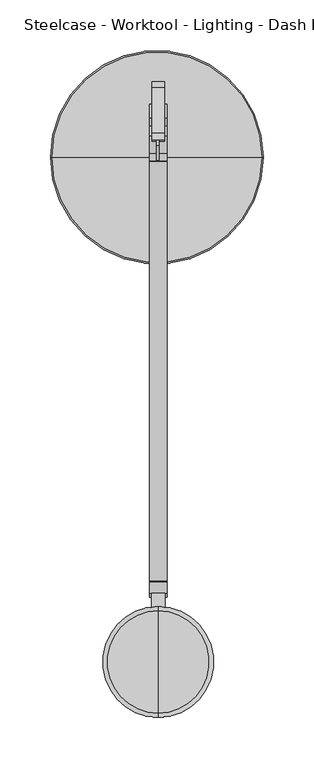
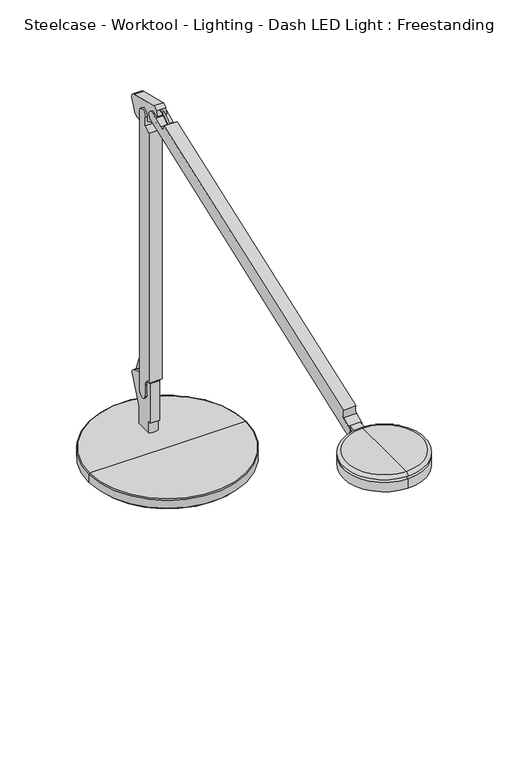
"""IFC4 building model written with IfcOpenShell, lengths in millimetres: furniture geometry, Steelcase - Worktool - Lighting - Dash LED Light : Freestanding."""

import ifcopenshell
import ifcopenshell.guid

model = None  # the IFC model being written
_history = None  # IfcOwnerHistory: only IFC2X3 demands one
_inside = {}  # id of a spatial element -> (the spatial element, [elements in it])
_under = {}  # id of a project, library or spatial element -> (it, [spatial elements below it])
_declared = {}  # id of a project -> (the project, [libraries it declares])
_typed = {}  # id of a type object -> (the type object, [elements of that type])
_made_of = {}  # id of a material, layer set ... -> (it, [elements and type objects made of it])


def new_model(schema):
    """Start an empty IFC model of exactly this schema.

    Asked for "IFC4X3", IfcOpenShell would pick the latest addendum, in which some entities
    have other attributes; the version numbers below select the first issue.
    IFC2X3 requires an IfcOwnerHistory on every rooted entity: one is made here for all.
    """
    global model, _history
    if schema == "IFC4X3":
        model = ifcopenshell.file(schema_version=(4, 3, 0, 0))
    else:
        model = ifcopenshell.file(schema=schema)
    _inside.clear()
    _under.clear()
    _declared.clear()
    _typed.clear()
    _made_of.clear()
    _history = None
    if model.schema == "IFC2X3":
        org = make("IfcOrganization", Name="unknown")
        user = make(
            "IfcPersonAndOrganization",
            ThePerson=make("IfcPerson", FamilyName="unknown"),
            TheOrganization=org,
        )
        app = make(
            "IfcApplication",
            ApplicationDeveloper=org,
            Version="unknown",
            ApplicationFullName="unknown",
            ApplicationIdentifier="unknown",
        )
        _history = make(
            "IfcOwnerHistory",
            OwningUser=user,
            OwningApplication=app,
            ChangeAction="ADDED",
            CreationDate=0,
        )
    return model


def make(cls, **values):
    """One entity of the class cls with the attributes given. An attribute that is None is left unset."""
    return model.create_entity(
        cls, **{name: value for name, value in values.items() if value is not None}
    )


def rooted(cls, **values):
    """An entity with a GlobalId (a new one), such as an element, a storey or a relation."""
    return make(cls, GlobalId=ifcopenshell.guid.new(), OwnerHistory=_history, **values)


def si_unit(unit_type, name, prefix=None):
    """IfcSIUnit, for example si_unit("LENGTHUNIT", "METRE", prefix="MILLI")."""
    return make("IfcSIUnit", UnitType=unit_type, Prefix=prefix, Name=name)


def assignment(units):
    """IfcUnitAssignment: the units of a project."""
    return None if units is None else make("IfcUnitAssignment", Units=units)


def point(xyz):
    """IfcCartesianPoint."""
    return None if xyz is None else make("IfcCartesianPoint", Coordinates=xyz)


def direction(xyz):
    """IfcDirection."""
    return None if xyz is None else make("IfcDirection", DirectionRatios=xyz)


def frame(location, z_axis=None, x_axis=None):
    """IfcAxis2Placement3D, a coordinate frame: its origin and axes. An axis left out is left unset."""
    return make(
        "IfcAxis2Placement3D",
        Location=point(location),
        Axis=direction(z_axis),
        RefDirection=direction(x_axis),
    )


def frame_2d(location, x_axis=None):
    """IfcAxis2Placement2D, a coordinate frame in the plane: its origin and x axis."""
    return make(
        "IfcAxis2Placement2D", Location=point(location), RefDirection=direction(x_axis)
    )


def origin():
    """The frame at (0, 0, 0) with its axes left unset."""
    return frame((0.0, 0.0, 0.0))


def place(relative_to, where):
    """IfcLocalPlacement: puts the frame where relative to a parent placement (None: the world)."""
    return make(
        "IfcLocalPlacement", PlacementRelTo=relative_to, RelativePlacement=where
    )


def context(
    kind, dimensions, precision=None, world=None, true_north=None, identifier=None
):
    """IfcGeometricRepresentationContext, for example the 3D "Model" context."""
    return make(
        "IfcGeometricRepresentationContext",
        ContextIdentifier=identifier,
        ContextType=kind,
        CoordinateSpaceDimension=dimensions,
        Precision=precision,
        WorldCoordinateSystem=world,
        TrueNorth=true_north,
    )


def project(units=None, contexts=None):
    """IfcProject with its units and contexts."""
    return rooted(
        "IfcProject",
        Name="project",
        RepresentationContexts=contexts,
        UnitsInContext=assignment(units),
    )


def spatial(cls, under=None, at=None, **own):
    """A site, building, storey or space (cls), placed at a placement, below another one or the project."""
    s = rooted(cls, ObjectPlacement=at, **own)
    if under is not None:
        _under.setdefault(under.id(), (under, []))[1].append(s)
    return s


def polyline(points):
    """IfcPolyline through the points."""
    return make("IfcPolyline", Points=[point(p) for p in points])


def circle_curve(where, radius):
    """IfcCircle in the frame where."""
    return make("IfcCircle", Position=where, Radius=radius)


def ellipse_curve(where, semi_axis1, semi_axis2):
    """IfcEllipse in the frame where."""
    return make(
        "IfcEllipse", Position=where, SemiAxis1=semi_axis1, SemiAxis2=semi_axis2
    )


def trimmed(basis, trim1, trim2, sense, master):
    """IfcTrimmedCurve: the piece of a basis curve between two trims."""
    return make(
        "IfcTrimmedCurve",
        BasisCurve=basis,
        Trim1=trim1,
        Trim2=trim2,
        SenseAgreement=sense,
        MasterRepresentation=master,
    )


def segment(curve, same_sense, transition):
    """IfcCompositeCurveSegment."""
    return make(
        "IfcCompositeCurveSegment",
        Transition=transition,
        SameSense=same_sense,
        ParentCurve=curve,
    )


def composite_curve(segments, self_intersect=None):
    """IfcCompositeCurve: segments joined end to end."""
    return make("IfcCompositeCurve", Segments=segments, SelfIntersect=self_intersect)


def outline(outer, holes=None, kind="AREA"):
    """IfcArbitraryClosedProfileDef: a profile drawn as a closed curve; with holes, ...WithVoids."""
    if holes is None:
        return make("IfcArbitraryClosedProfileDef", ProfileType=kind, OuterCurve=outer)
    return make(
        "IfcArbitraryProfileDefWithVoids",
        ProfileType=kind,
        OuterCurve=outer,
        InnerCurves=holes,
    )


def extrude(swept, where, along, depth):
    """IfcExtrudedAreaSolid: the profile swept, set in the frame where, extruded along a direction by depth."""
    return make(
        "IfcExtrudedAreaSolid",
        SweptArea=swept,
        Position=where,
        ExtrudedDirection=direction(along),
        Depth=depth,
    )


def shape(context_of_items, identifier, shape_type, items):
    """IfcShapeRepresentation: the items that make up one representation, for example the "Body"."""
    return make(
        "IfcShapeRepresentation",
        ContextOfItems=context_of_items,
        RepresentationIdentifier=identifier,
        RepresentationType=shape_type,
        Items=items,
    )


def source(mapping_origin, context_of_items, identifier, shape_type, items):
    """IfcRepresentationMap: a shape defined once, which mapped items show again and again."""
    return make(
        "IfcRepresentationMap",
        MappingOrigin=mapping_origin,
        MappedRepresentation=shape(context_of_items, identifier, shape_type, items),
    )


def transform(
    local_origin,
    x_axis=None,
    y_axis=None,
    z_axis=None,
    scale=None,
    scale2=None,
    scale3=None,
    uniform=True,
):
    """IfcCartesianTransformationOperator3D, or its non-uniform kind. x_axis, y_axis, z_axis: its Axis1, 2, 3."""
    if uniform:
        return make(
            "IfcCartesianTransformationOperator3D",
            Axis1=direction(x_axis),
            Axis2=direction(y_axis),
            LocalOrigin=point(local_origin),
            Scale=scale,
            Axis3=direction(z_axis),
        )
    return make(
        "IfcCartesianTransformationOperator3DnonUniform",
        Axis1=direction(x_axis),
        Axis2=direction(y_axis),
        LocalOrigin=point(local_origin),
        Scale=scale,
        Axis3=direction(z_axis),
        Scale2=scale2,
        Scale3=scale3,
    )


def mapped(mapping_source, mapping_target):
    """IfcMappedItem: shows the shape of a source again, moved by a transform."""
    return make(
        "IfcMappedItem", MappingSource=mapping_source, MappingTarget=mapping_target
    )


def made_of(thing, what):
    """Note that an element or type object is made of a material, layer set ...; save() writes the relation."""
    if what is not None:
        _made_of.setdefault(what.id(), (what, []))[1].append(thing)
    return thing


def element(
    cls,
    number,
    at=None,
    inside=None,
    cuts=None,
    type_object=None,
    material=None,
    context=None,
    identifier="Body",
    shape_type=None,
    held_by="IfcProductDefinitionShape",
    body=None,
    shapes=None,
    **own,
):
    """One element of the class cls, such as IfcWall. Its Tag is "e" and its number.

    at: its placement. inside: the storey or other place that contains it. cuts: it is an
    opening in that element (IfcRelVoidsElement). A single representation is given by context,
    identifier, shape_type and body (its items); several are given by shapes. held_by: the class
    of the entity that holds the representations. save() writes the other relations.
    """
    e = rooted(cls, Tag="e%d" % number, ObjectPlacement=at, **own)
    if body is not None:
        shapes = [shape(context, identifier, shape_type, body)]
    if shapes is not None:
        e.Representation = make(held_by, Representations=shapes)
    if inside is not None:
        _inside.setdefault(inside.id(), (inside, []))[1].append(e)
    if cuts is not None:
        rooted(
            "IfcRelVoidsElement", RelatingBuildingElement=cuts, RelatedOpeningElement=e
        )
    if type_object is not None:
        _typed.setdefault(type_object.id(), (type_object, []))[1].append(e)
    return made_of(e, material)


def aggregate(whole, parts):
    """IfcRelAggregates: a whole, such as a stair, and the parts it consists of."""
    return rooted("IfcRelAggregates", RelatingObject=whole, RelatedObjects=parts)


def save(model, path):
    """Write the relations noted so far, then the file.

    IfcRelAggregates (storeys below a building ...), IfcRelContainedInSpatialStructure (elements
    in a storey), IfcRelDefinesByType, IfcRelAssociatesMaterial and IfcRelDeclares: one each for
    every whole, place, type object, material and project.
    """
    for whole, parts in _under.values():
        aggregate(whole, parts)
    for where, things in _inside.values():
        rooted(
            "IfcRelContainedInSpatialStructure",
            RelatedElements=things,
            RelatingStructure=where,
        )
    for kind, things in _typed.values():
        rooted("IfcRelDefinesByType", RelatedObjects=things, RelatingType=kind)
    for what, things in _made_of.values():
        rooted("IfcRelAssociatesMaterial", RelatedObjects=things, RelatingMaterial=what)
    for by, libraries in _declared.values():
        rooted("IfcRelDeclares", RelatingContext=by, RelatedDefinitions=libraries)
    model.write(path)


def plane_surface(at):
    """IfcPlane: the flat surface through the origin of the frame at, square to its z axis."""
    return make("IfcPlane", Position=at)


def cylinder_surface(at, radius):
    """IfcCylindricalSurface: all points at the distance radius from the z axis of the frame at."""
    return make("IfcCylindricalSurface", Position=at, Radius=radius)


def revolved_surface(curve, axis_point, axis_direction):
    """IfcSurfaceOfRevolution: the curve turned about the line through axis_point along axis_direction."""
    return make(
        "IfcSurfaceOfRevolution",
        SweptCurve=make("IfcArbitraryOpenProfileDef", ProfileType="CURVE", Curve=curve),
        AxisPosition=make("IfcAxis1Placement", Location=point(axis_point), Axis=direction(axis_direction)),
    )


def advanced_brep(points, edges, surfaces, faces):
    """IfcAdvancedBrep: a solid bounded by faces that lie on surfaces and meet in shared edges.

    An edge is (start, end): straight between two places in points (the first is 0);
    or (start, end, curve); or (start, end, curve, False) where it runs against its curve.
    A face is (place in surfaces, loops), or (place, loops, False) where it looks against
    its surface's normal. A loop lists edges by number (the first is 1), with a minus sign
    where the edge is run from its end to its start. The first loop is the outer one.
    """
    corners = [point(p) for p in points]
    vertices = [make("IfcVertexPoint", VertexGeometry=c) for c in corners]
    made = []
    for start, end, *more in edges:
        made.append(
            make(
                "IfcEdgeCurve",
                EdgeStart=vertices[start],
                EdgeEnd=vertices[end],
                EdgeGeometry=more[0] if more else make("IfcPolyline", Points=[corners[start], corners[end]]),
                SameSense=more[1] if len(more) > 1 else True,
            )
        )
    hull = []
    for where, loops, *sense in faces:
        bounds = []
        for j, loop in enumerate(loops):
            ring = [make("IfcOrientedEdge", EdgeElement=made[abs(k) - 1], Orientation=k > 0) for k in loop]
            bounds.append(
                make(
                    "IfcFaceOuterBound" if j == 0 else "IfcFaceBound",
                    Bound=make("IfcEdgeLoop", EdgeList=ring),
                    Orientation=True,
                )
            )
        hull.append(make("IfcAdvancedFace", Bounds=bounds, FaceSurface=surfaces[where], SameSense=sense[0] if sense else True))
    return make("IfcAdvancedBrep", Outer=make("IfcClosedShell", CfsFaces=hull))


def steelcase_worktool_lighting_dash_led_light_freestanding_fd4244e6(model_context):
    return source(origin(), model_context, "Body", "SolidModel", [
        advanced_brep(
        [(-1.3138173, -113.7487958, 886.9665244), (102.5340827, -113.7487958, 886.9665244), (-105.1617173, -113.7487958, 886.9665244), (-94.3930875, -113.7487958, 868.0005821), (91.7654529, -113.7487958, 868.0005821), (-1.3138173, -113.7487958, 868.0005821), (-94.3930875, -113.7487958, 868.9041479), (91.7654529, -113.7487958, 868.9041479), (-97.207805, -113.7487958, 868.9041479), (94.5801703, -113.7487958, 868.9041479), (-103.7438291, -113.7487958, 871.8141733), (101.1161944, -113.7487958, 871.8141733), (-103.7438291, -113.7487958, 874.6475244), (101.1161944, -113.7487958, 874.6475244), (-106.6446817, -113.7487958, 874.6475244), (104.017047, -113.7487958, 874.6475244), (-106.6446817, -113.7487958, 885.4835601), (104.017047, -113.7487958, 885.4835601)],
        [
            (0, 1),
            (1, 2, circle_curve(frame((-1.3138173, -113.7487958, 886.9665244), z_axis=(0.0, 0.0, 1.0), x_axis=(1.0, 0.0, 0.0)), 103.8479)),
            (2, 0),
            (2, 1, circle_curve(frame((-1.3138173, -113.7487958, 886.9665244), z_axis=(0.0, 0.0, 1.0), x_axis=(1.0, 0.0, 0.0)), 103.8479)),
            (3, 4, circle_curve(frame((-1.3138173, -113.7487958, 868.0005821), z_axis=(0.0, 0.0, -1.0), x_axis=(1.0, 0.0, 0.0)), 93.0792702)),
            (4, 5),
            (5, 3),
            (4, 3, circle_curve(frame((-1.3138173, -113.7487958, 868.0005821), z_axis=(0.0, 0.0, -1.0), x_axis=(1.0, 0.0, 0.0)), 93.0792702)),
            (6, 7, circle_curve(frame((-1.3138173, -113.7487958, 868.9041479), z_axis=(0.0, 0.0, -1.0), x_axis=(1.0, 0.0, 0.0)), 93.0792702)),
            (7, 4),
            (3, 6),
            (7, 6, circle_curve(frame((-1.3138173, -113.7487958, 868.9041479), z_axis=(0.0, 0.0, -1.0), x_axis=(1.0, 0.0, 0.0)), 93.0792702)),
            (8, 9, circle_curve(frame((-1.3138173, -113.7487958, 868.9041479), z_axis=(0.0, 0.0, -1.0), x_axis=(1.0, 0.0, 0.0)), 95.8939876)),
            (9, 7),
            (6, 8),
            (9, 8, circle_curve(frame((-1.3138173, -113.7487958, 868.9041479), z_axis=(0.0, 0.0, -1.0), x_axis=(1.0, 0.0, 0.0)), 95.8939876)),
            (10, 11, circle_curve(frame((-1.3138173, -113.7487958, 871.8141733), z_axis=(0.0, 0.0, -1.0), x_axis=(1.0, 0.0, 0.0)), 102.4300117)),
            (11, 9),
            (8, 10),
            (11, 10, circle_curve(frame((-1.3138173, -113.7487958, 871.8141733), z_axis=(0.0, 0.0, -1.0), x_axis=(1.0, 0.0, 0.0)), 102.4300117)),
            (12, 13, circle_curve(frame((-1.3138173, -113.7487958, 874.6475244), z_axis=(0.0, 0.0, -1.0), x_axis=(1.0, 0.0, 0.0)), 102.4300117)),
            (13, 11),
            (10, 12),
            (13, 12, circle_curve(frame((-1.3138173, -113.7487958, 874.6475244), z_axis=(0.0, 0.0, -1.0), x_axis=(1.0, 0.0, 0.0)), 102.4300117)),
            (14, 15, circle_curve(frame((-1.3138173, -113.7487958, 874.6475244), z_axis=(0.0, 0.0, -1.0), x_axis=(1.0, 0.0, 0.0)), 105.3308643)),
            (15, 13),
            (12, 14),
            (15, 14, circle_curve(frame((-1.3138173, -113.7487958, 874.6475244), z_axis=(0.0, 0.0, -1.0), x_axis=(1.0, 0.0, 0.0)), 105.3308643)),
            (16, 17, circle_curve(frame((-1.3138173, -113.7487958, 885.4835601), z_axis=(0.0, 0.0, -1.0), x_axis=(1.0, 0.0, 0.0)), 105.3308643)),
            (17, 15),
            (14, 16),
            (17, 16, circle_curve(frame((-1.3138173, -113.7487958, 885.4835601), z_axis=(0.0, 0.0, -1.0), x_axis=(1.0, 0.0, 0.0)), 105.3308643)),
            (1, 17, circle_curve(frame((102.5340827, -113.7487958, 885.4835601), z_axis=(0.0, 1.0, 0.0), x_axis=(1.0, 0.0, 0.0)), 1.4829643)),
            (16, 2, circle_curve(frame((-105.1617173, -113.7487958, 885.4835601), z_axis=(0.0, 1.0, 0.0), x_axis=(-1.0, 0.0, 0.0)), 1.4829643)),
        ],
        [
            plane_surface(frame((-1.3138173, -113.7487958, 886.9665244), z_axis=(0.0, 0.0, 1.0), x_axis=(1.0, 0.0, 0.0))),
            plane_surface(frame((-1.3138173, -113.7487958, 868.0005821), z_axis=(0.0, 0.0, -1.0), x_axis=(1.0, 0.0, 0.0))),
            cylinder_surface(frame((-1.3138173, -113.7487958, 893.3165244), z_axis=(0.0, 0.0, 1.0), x_axis=(1.0, 0.0, 0.0)), 93.0792702),
            plane_surface(frame((-1.3138173, -113.7487958, 868.9041479), z_axis=(0.0, 0.0, -1.0), x_axis=(1.0, 0.0, 0.0))),
            revolved_surface(polyline([(94.5801703, -113.7487958, 868.9041479), (101.1161944, -113.7487958, 871.8141733)]), (-1.3138173, -113.7487958, 893.3165244), (0.0, 0.0, 1.0)),
            cylinder_surface(frame((-1.3138173, -113.7487958, 893.3165244), z_axis=(0.0, 0.0, 1.0), x_axis=(1.0, 0.0, 0.0)), 102.4300117),
            plane_surface(frame((-1.3138173, -113.7487958, 874.6475244), z_axis=(0.0, 0.0, -1.0), x_axis=(1.0, 0.0, 0.0))),
            cylinder_surface(frame((-1.3138173, -113.7487958, 893.3165244), z_axis=(0.0, 0.0, 1.0), x_axis=(1.0, 0.0, 0.0)), 105.3308643),
            revolved_surface(trimmed(ellipse_curve(frame((102.5340827, -113.7487958, 885.4835601), z_axis=(0.0, -1.0, 0.0), x_axis=(1.0, 0.0, 0.0)), 1.4829643, 1.4829643), [point((104.017047, -113.7487958, 885.4835601))], [point((102.5340827, -113.7487958, 886.9665244))], True, "CARTESIAN"), (-1.3138173, -113.7487958, 893.3165244), (0.0, 0.0, 1.0)),
        ],
        [
            (0, [[1, 2, 3]]),
            (0, [[-3, 4, -1]]),
            (1, [[5, 6, 7]]),
            (1, [[8, -7, -6]]),
            (2, [[9, 10, -5, 11]]),
            (2, [[12, -11, -8, -10]]),
            (3, [[13, 14, -9, 15]]),
            (3, [[16, -15, -12, -14]]),
            (4, [[17, 18, -13, 19]]),
            (4, [[20, -19, -16, -18]]),
            (5, [[21, 22, -17, 23]]),
            (5, [[24, -23, -20, -22]]),
            (6, [[25, 26, -21, 27]]),
            (6, [[28, -27, -24, -26]]),
            (7, [[29, 30, -25, 31]]),
            (7, [[32, -31, -28, -30]]),
            (8, [[-2, 33, -29, 34]]),
            (8, [[-4, -34, -32, -33]]),
        ],
    ),
        advanced_brep(
        [(-2.7205732, -60.6970314, 1280.5232085), (1.9785586, -60.6970314, 1280.5232085), (1.9175158, -71.5963661, 1280.5232085), (5.0673235, -71.5963661, 1280.5232085), (5.0673235, -60.0819526, 1280.5232085), (-5.7601194, -60.0819526, 1280.5232085), (-5.8093381, -71.5963661, 1280.5232085), (-2.6601118, -71.5963661, 1280.5232085), (-2.7205732, -60.6970314, 990.8676868), (-2.6601118, -71.5963661, 990.8676868), (-5.8093381, -71.5963661, 990.8676868), (-5.8093381, -60.0724751, 990.8676868), (5.0673235, -60.0819526, 990.8676868), (5.0673235, -71.5963661, 990.8676868), (1.9175158, -71.5963661, 990.8676868), (1.9785586, -60.6970314, 990.8676868)],
        [
            (0, 1, circle_curve(frame((-0.3710073, -60.6970314, 1280.5232085), z_axis=(0.0, 0.0, -1.0), x_axis=(1.0, 0.0, 0.0)), 2.3495659)),
            (1, 2),
            (2, 3),
            (3, 4),
            (4, 5, circle_curve(frame((-0.3463979, -60.0819526, 1280.5232085), z_axis=(0.0, 0.0, 1.0), x_axis=(1.0, 0.0, 0.0)), 5.4137215)),
            (5, 6),
            (6, 7),
            (7, 0),
            (8, 9),
            (9, 10),
            (10, 11),
            (11, 12, circle_curve(frame((-0.3463979, -60.0819526, 990.8676868), z_axis=(0.0, 0.0, -1.0), x_axis=(1.0, 0.0, 0.0)), 5.4137215)),
            (12, 13),
            (13, 14),
            (14, 15),
            (15, 8, circle_curve(frame((-0.3710073, -60.6970314, 990.8676868), z_axis=(0.0, 0.0, 1.0), x_axis=(1.0, 0.0, 0.0)), 2.3495659)),
            (0, 8),
            (15, 1),
            (14, 2),
            (13, 3),
            (12, 4),
            (11, 5),
            (10, 6),
            (9, 7),
        ],
        [
            plane_surface(frame((1.9785586, -60.6970314, 1280.5232085), z_axis=(0.0, 0.0, 1.0), x_axis=(0.0, -1.0, 0.0))),
            plane_surface(frame((1.9785586, -60.6970314, 990.8676868), z_axis=(0.0, 0.0, -1.0), x_axis=(0.0, 1.0, 0.0))),
            revolved_surface(polyline([(1.9785586, -60.6970314, 990.8676868), (1.9785586, -60.6970314, 1280.5232085)]), (-0.3710073, -60.6970314, 990.8676868), (0.0, 0.0, -1.0)),
            plane_surface(frame((1.9785586, -60.6970314, 1280.5232085), z_axis=(-0.9999843170233393, 0.005600509563017414, 0.0), x_axis=(0.0, 0.0, -1.0))),
            plane_surface(frame((1.9175158, -71.5963661, 1280.5232085), z_axis=(0.0, -1.0, 0.0), x_axis=(0.0, 0.0, -1.0))),
            plane_surface(frame((5.0673235, -71.5963661, 1280.5232085), z_axis=(1.0, 0.0, 0.0), x_axis=(0.0, 0.0, -1.0))),
            cylinder_surface(frame((-0.3463979, -60.0819526, 990.8676868), z_axis=(0.0, 0.0, 1.0), x_axis=(1.0, 0.0, 0.0)), 5.4137215),
            plane_surface(frame((-5.8093381, -60.0724751, 1280.5232085), z_axis=(-1.0, 0.0, 0.0), x_axis=(0.0, 0.0, -1.0))),
            plane_surface(frame((-5.8093381, -71.5963661, 1280.5232085), z_axis=(0.0, -1.0, 0.0), x_axis=(0.0, 0.0, -1.0))),
            plane_surface(frame((-2.6601118, -71.5963661, 1280.5232085), z_axis=(0.999984614317351, 0.005547173025869674, 0.0), x_axis=(0.0, 0.0, -1.0))),
        ],
        [
            (0, [[1, 2, 3, 4, 5, 6, 7, 8]]),
            (1, [[9, 10, 11, 12, 13, 14, 15, 16]]),
            (2, [[-1, 17, -16, 18]]),
            (3, [[-2, -18, -15, 19]]),
            (4, [[-3, -19, -14, 20]]),
            (5, [[-4, -20, -13, 21]]),
            (6, [[-5, -21, -12, 22]]),
            (7, [[-6, -22, -11, 23]]),
            (8, [[-7, -23, -10, 24]]),
            (9, [[-8, -24, -9, -17]]),
        ],
    ),
        extrude(outline(polyline([(-65.3863553, 990.8120404), (-55.2886405, 990.8120404), (-41.2982154, 953.7822512), (-51.1981926, 954.4889668), (-65.3863553, 990.8120404)])), frame((-1.518321, 0.0, 0.0), z_axis=(1.0, 0.0, 0.0), x_axis=(0.0, 1.0, 0.0)), (0.0, 0.0, 1.0), 2.3620651),
        extrude(outline(polyline([(-57.0984138, 1319.5276591), (-45.5921394, 1322.2234247), (-55.5386253, 1280.5232085), (-65.5891746, 1280.5232085), (-57.0984138, 1319.5276591)])), frame((-1.518321, 0.0, 0.0), z_axis=(1.0, 0.0, 0.0), x_axis=(0.0, 1.0, 0.0)), (0.0, 0.0, 1.0), 2.3620651),
        extrude(outline(polyline([(-81.1968025, 1351.4679697), (-81.1968025, 1350.5047095), (-101.2218133, 1351.2039983), (-127.6570142, 1332.6938714), (-128.4530492, 1333.4899064), (-101.7525568, 1352.1857924), (-81.1968025, 1351.4679697)])), frame((-1.518321, 0.0, 0.0), z_axis=(1.0, 0.0, 0.0), x_axis=(0.0, 1.0, 0.0)), (0.0, 0.0, 1.0), 2.3620651),
        extrude(outline(composite_curve([segment(polyline([(-74.5648093, 937.0886966), (-73.9866456, 953.6451374)]), True, "CONTINUOUS"), segment(trimmed(circle_curve(frame_2d((-81.5292112, 953.9085296)), 7.5471631), [point((-73.9866456, 953.6451374))], [point((-81.5292112, 961.4556927))], True, "CARTESIAN"), True, "CONTINUOUS"), segment(polyline([(-81.5292112, 961.4556927), (-83.5101738, 961.4556927), (-83.5101738, 1314.3379447)]), True, "CONTINUOUS"), segment(trimmed(circle_curve(frame_2d((-83.6122872, 1324.9350648)), 10.5976121), [point((-83.5101738, 1314.3379447))], [point((-74.6876907, 1319.220088))], True, "CARTESIAN"), True, "CONTINUOUS"), segment(polyline([(-74.6876907, 1319.220088), (-74.6876907, 1331.2392366)]), True, "CONTINUOUS"), segment(trimmed(circle_curve(frame_2d((-68.1653332, 1332.5632566)), 6.6553871), [point((-74.6876907, 1331.2392366))], [point((-61.6429756, 1331.2392366))], False, "CARTESIAN"), True, "CONTINUOUS"), segment(polyline([(-61.6429756, 1331.2392366), (-61.6429756, 938.6224419)]), True, "CONTINUOUS"), segment(trimmed(circle_curve(frame_2d((-68.1949157, 938.6224419)), 6.5519401), [point((-61.6429756, 938.6224419))], [point((-74.5648093, 937.0886966))], False, "CARTESIAN"), True, "CONTINUOUS")], self_intersect=False)), frame((-8.509, 0.0, 0.0), z_axis=(1.0, 0.0, 0.0), x_axis=(0.0, 1.0, 0.0)), (0.0, 0.0, 1.0), 17.018),
        advanced_brep(
        [(6.223, -78.5886447, 903.0154879), (-6.223, -78.5886447, 903.0154879), (-6.223, -78.5886447, 886.9698914), (6.223, -78.5886447, 886.9698914), (6.223, -56.5546875, 886.9698914), (6.223, -56.5546875, 911.7523831), (6.223, -40.7698797, 947.205642), (6.223, -44.2952569, 955.7166553), (6.223, -71.2714689, 966.0718529), (6.223, -82.0847399, 958.6400977), (6.223, -82.0847399, 903.0154879), (-6.223, -82.0847399, 958.6400977), (-6.223, -71.2714689, 966.0718529), (-6.223, -44.2952569, 955.7166553), (-6.223, -40.7698797, 947.205642), (-6.223, -56.5546875, 911.7523831), (-6.223, -56.5546875, 886.9698914), (-6.223, -82.0847399, 903.0154879)],
        [
            (0, 1, circle_curve(frame((0.0, -63.9841969, 903.0154879), z_axis=(0.0, 0.0, -1.0), x_axis=(1.0, 0.0, 0.0)), 15.875)),
            (1, 2),
            (2, 3, circle_curve(frame((0.0, -63.9841969, 886.9698914), z_axis=(0.0, 0.0, 1.0), x_axis=(1.0, 0.0, 0.0)), 15.875)),
            (3, 0),
            (4, 5),
            (5, 6),
            (6, 7, circle_curve(frame((6.223, -46.5708933, 949.7884196), z_axis=(1.0, 0.0, 0.0), x_axis=(0.0, -1.0, 0.0)), 6.35)),
            (7, 8),
            (8, 9, circle_curve(frame((6.223, -74.1242524, 958.6400977), z_axis=(1.0, 0.0, 0.0), x_axis=(0.0, -1.0, 0.0)), 7.9604875)),
            (9, 10),
            (10, 0),
            (3, 4),
            (11, 12, circle_curve(frame((-6.223, -74.1242524, 958.6400977), z_axis=(-1.0, 0.0, 0.0), x_axis=(0.0, -1.0, 0.0)), 7.9604875)),
            (12, 13),
            (13, 14, circle_curve(frame((-6.223, -46.5708933, 949.7884196), z_axis=(-1.0, 0.0, 0.0), x_axis=(0.0, -1.0, 0.0)), 6.35)),
            (14, 15),
            (15, 16),
            (16, 2),
            (1, 17),
            (17, 11),
            (9, 11),
            (17, 10),
            (16, 4),
            (15, 5),
            (14, 6),
            (13, 7),
            (12, 8),
        ],
        [
            cylinder_surface(frame((0.0, -63.9841969, 903.0154879), z_axis=(0.0, 0.0, 1.0), x_axis=(1.0, 0.0, 0.0)), 15.875),
            plane_surface(frame((6.223, -82.0847399, 886.9698914), z_axis=(1.0, 0.0, 0.0), x_axis=(0.0, 0.0, -1.0))),
            plane_surface(frame((-6.223, -82.0847399, 886.9698914), z_axis=(-1.0, 0.0, 0.0), x_axis=(0.0, 0.0, 1.0))),
            plane_surface(frame((6.223, -82.0847399, 958.6400977), z_axis=(0.0, -1.0, 0.0), x_axis=(-1.0, 0.0, 0.0))),
            plane_surface(frame((6.223, -82.0847399, 886.9698914), z_axis=(0.0, 0.0, -1.0), x_axis=(-1.0, 0.0, 0.0))),
            plane_surface(frame((6.223, -56.5546875, 886.9698914), z_axis=(0.0, 1.0, 0.0), x_axis=(-1.0, 0.0, 0.0))),
            plane_surface(frame((6.223, -56.5546875, 911.7523831), z_axis=(0.0, 0.9135454576426009, -0.4067366430758003), x_axis=(-1.0, 0.0, 0.0))),
            cylinder_surface(frame((-6.223, -46.5708933, 949.7884196), z_axis=(1.0, 0.0, 0.0), x_axis=(0.0, -1.0, 0.0)), 6.35),
            plane_surface(frame((6.223, -44.2952569, 955.7166553), z_axis=(0.0, 0.35836794954530315, 0.9335804264972007), x_axis=(-1.0, 0.0, 0.0))),
            cylinder_surface(frame((-6.223, -74.1242524, 958.6400977), z_axis=(1.0, 0.0, 0.0), x_axis=(0.0, -1.0, 0.0)), 7.9604875),
            plane_surface(frame((-32.548854, -63.9841969, 903.0154879), z_axis=(0.0, 0.0, -1.0), x_axis=(0.0, -1.0, 0.0))),
        ],
        [
            (0, [[1, 2, 3, 4]]),
            (1, [[5, 6, 7, 8, 9, 10, 11, -4, 12]]),
            (2, [[13, 14, 15, 16, 17, 18, -2, 19, 20]]),
            (3, [[21, -20, 22, -10]]),
            (4, [[23, -12, -3, -18]]),
            (5, [[-5, -23, -17, 24]]),
            (6, [[-6, -24, -16, 25]]),
            (7, [[-7, -25, -15, 26]]),
            (8, [[-8, -26, -14, 27]]),
            (9, [[-9, -27, -13, -21]]),
            (10, [[-1, -11, -22, -19]]),
        ],
    ),
        extrude(outline(composite_curve([segment(polyline([(-6.7893575, -544.8549642), (6.7893575, -544.8549642), (6.7893575, -561.4371146)]), True, "CONTINUOUS"), segment(trimmed(circle_curve(frame_2d((0.0, -615.7514202)), 54.737), [point((6.7893575, -561.4371146))], [point((-6.7893575, -561.4371146))], True, "CARTESIAN"), True, "CONTINUOUS"), segment(polyline([(-6.7893575, -561.4371146), (-6.7893575, -544.8549642)]), True, "CONTINUOUS")], self_intersect=False)), frame((0.0, 0.0, 1167.2897555), z_axis=(0.0, 0.0, 1.0), x_axis=(1.0, 0.0, 0.0)), (0.0, 0.0, 1.0), 13.4600101),
        advanced_brep(
        [(0.0, -557.9794807, 1181.5751493), (0.0, -667.4534807, 1181.5751493), (0.0, -663.397426, 1185.3851493), (0.0, -562.0355355, 1185.3851493), (0.0, -575.9679998, 1181.5751493), (0.0, -649.4649617, 1181.5751493), (0.0, -573.3002091, 1177.7651493), (0.0, -652.1327524, 1177.7651493), (0.0, -557.9794807, 1177.7651493), (0.0, -667.4534807, 1177.7651493), (0.0, -557.9794807, 1164.4301493), (0.0, -667.4534807, 1164.4301493), (0.0, -612.7164807, 1164.4301493), (0.0, -612.7164807, 1185.3851493)],
        [
            (0, 1, circle_curve(frame((0.0, -612.7164807, 1181.5751493), z_axis=(0.0, 0.0, 1.0), x_axis=(0.0, -1.0, 0.0)), 54.737)),
            (1, 2, circle_curve(frame((0.0, -663.397426, 1181.3211493), z_axis=(-1.0, 0.0, 0.0), x_axis=(0.0, 1.0, 0.0)), 4.064)),
            (2, 3, circle_curve(frame((0.0, -612.7164807, 1185.3851493), z_axis=(0.0, 0.0, -1.0), x_axis=(0.0, -1.0, 0.0)), 50.6809453)),
            (3, 0, circle_curve(frame((0.0, -562.0355355, 1181.3211493), z_axis=(-1.0, 0.0, 0.0), x_axis=(0.0, -1.0, 0.0)), 4.064)),
            (1, 0, circle_curve(frame((0.0, -612.7164807, 1181.5751493), z_axis=(0.0, 0.0, 1.0), x_axis=(0.0, -1.0, 0.0)), 54.737)),
            (3, 2, circle_curve(frame((0.0, -612.7164807, 1185.3851493), z_axis=(0.0, 0.0, -1.0), x_axis=(0.0, -1.0, 0.0)), 50.6809453)),
            (4, 5, circle_curve(frame((0.0, -612.7164807, 1181.5751493), z_axis=(0.0, 0.0, 1.0), x_axis=(0.0, -1.0, 0.0)), 36.7484809)),
            (5, 1),
            (0, 4),
            (5, 4, circle_curve(frame((0.0, -612.7164807, 1181.5751493), z_axis=(0.0, 0.0, 1.0), x_axis=(0.0, -1.0, 0.0)), 36.7484809)),
            (6, 7, circle_curve(frame((0.0, -612.7164807, 1177.7651493), z_axis=(0.0, 0.0, 1.0), x_axis=(0.0, -1.0, 0.0)), 39.4162717)),
            (7, 5),
            (4, 6),
            (7, 6, circle_curve(frame((0.0, -612.7164807, 1177.7651493), z_axis=(0.0, 0.0, 1.0), x_axis=(0.0, -1.0, 0.0)), 39.4162717)),
            (8, 9, circle_curve(frame((0.0, -612.7164807, 1177.7651493), z_axis=(0.0, 0.0, 1.0), x_axis=(0.0, -1.0, 0.0)), 54.737)),
            (9, 7),
            (6, 8),
            (9, 8, circle_curve(frame((0.0, -612.7164807, 1177.7651493), z_axis=(0.0, 0.0, 1.0), x_axis=(0.0, -1.0, 0.0)), 54.737)),
            (10, 11, circle_curve(frame((0.0, -612.7164807, 1164.4301493), z_axis=(0.0, 0.0, 1.0), x_axis=(0.0, -1.0, 0.0)), 54.737)),
            (11, 9),
            (8, 10),
            (11, 10, circle_curve(frame((0.0, -612.7164807, 1164.4301493), z_axis=(0.0, 0.0, 1.0), x_axis=(0.0, -1.0, 0.0)), 54.737)),
            (12, 11),
            (10, 12),
            (2, 13),
            (13, 3),
        ],
        [
            revolved_surface(trimmed(ellipse_curve(frame((0.0, -663.397426, 1181.3211493), z_axis=(1.0, 0.0, 0.0), x_axis=(0.0, 1.0, 0.0)), 4.064, 4.064), [point((0.0, -663.397426, 1185.3851493))], [point((0.0, -667.4534807, 1181.5751493))], True, "CARTESIAN"), (0.0, -612.7164807, 1185.3851493), (0.0, 0.0, -1.0)),
            plane_surface(frame((0.0, -612.7164807, 1181.5751493), z_axis=(0.0, 0.0, -1.0), x_axis=(0.0, -1.0, 0.0))),
            revolved_surface(polyline([(0.0, -649.4649617, 1181.5751493), (0.0, -652.1327524, 1177.7651493)]), (0.0, -612.7164807, 1185.3851493), (0.0, 0.0, -1.0)),
            plane_surface(frame((0.0, -612.7164807, 1177.7651493), z_axis=(0.0, 0.0, 1.0), x_axis=(0.0, -1.0, 0.0))),
            cylinder_surface(frame((0.0, -612.7164807, 1185.3851493), z_axis=(0.0, 0.0, -1.0), x_axis=(0.0, -1.0, 0.0)), 54.737),
            plane_surface(frame((0.0, -612.7164807, 1164.4301493), z_axis=(0.0, 0.0, -1.0), x_axis=(0.0, -1.0, 0.0))),
            plane_surface(frame((0.0, -612.7164807, 1185.3851493), z_axis=(0.0, 0.0, 1.0), x_axis=(0.0, -1.0, 0.0))),
        ],
        [
            (0, [[1, 2, 3, 4]]),
            (0, [[5, -4, 6, -2]]),
            (1, [[7, 8, -1, 9]]),
            (1, [[10, -9, -5, -8]]),
            (2, [[11, 12, -7, 13]]),
            (2, [[14, -13, -10, -12]]),
            (3, [[15, 16, -11, 17]]),
            (3, [[18, -17, -14, -16]]),
            (4, [[19, 20, -15, 21]]),
            (4, [[22, -21, -18, -20]]),
            (5, [[23, -19, 24]]),
            (5, [[-24, -22, -23]]),
            (6, [[-3, 25, 26]]),
            (6, [[-6, -26, -25]]),
        ],
    ),
        extrude(outline(composite_curve([segment(polyline([(-74.6876907, 1325.0660994), (-91.7807339, 1332.5175248)]), True, "CONTINUOUS"), segment(trimmed(circle_curve(frame_2d((-87.3211267, 1342.7475483)), 11.1598153), [point((-91.7807339, 1332.5175248))], [point((-98.1644738, 1345.3863552))], False, "CARTESIAN"), True, "CONTINUOUS"), segment(polyline([(-98.1644738, 1345.3863552), (-96.3335285, 1352.9100492)]), True, "CONTINUOUS"), segment(trimmed(circle_curve(frame_2d((-91.157557, 1350.3493921)), 5.774742), [point((-96.3335285, 1352.9100492))], [point((-89.7920838, 1355.9603749))], False, "CARTESIAN"), True, "CONTINUOUS"), segment(polyline([(-89.7920838, 1355.9603749), (-44.7607948, 1345.0016855)]), True, "CONTINUOUS"), segment(trimmed(circle_curve(frame_2d((-46.4441906, 1338.0842995)), 7.1192733), [point((-44.7607948, 1345.0016855))], [point((-39.9180671, 1335.2393454))], False, "CARTESIAN"), True, "CONTINUOUS"), segment(polyline([(-39.9180671, 1335.2393454), (-45.5921394, 1322.2234247)]), True, "CONTINUOUS"), segment(trimmed(circle_curve(frame_2d((-53.528879, 1325.6833132)), 8.6580982), [point((-45.5921394, 1322.2234247))], [point((-57.3848008, 1317.931247))], False, "CARTESIAN"), True, "CONTINUOUS"), segment(polyline([(-57.3848008, 1317.931247), (-61.4869966, 1319.9717025), (-61.4869966, 1332.4672712)]), True, "CONTINUOUS"), segment(trimmed(circle_curve(frame_2d((-68.0907541, 1332.6821255)), 6.6072517), [point((-61.4869966, 1332.4672712))], [point((-74.6876907, 1333.051182))], True, "CARTESIAN"), True, "CONTINUOUS"), segment(polyline([(-74.6876907, 1333.051182), (-74.6876907, 1325.0660994)]), True, "CONTINUOUS")], self_intersect=False)), frame((-6.223, 0.0, 0.0), z_axis=(1.0, 0.0, 0.0), x_axis=(0.0, 1.0, 0.0)), (0.0, 0.0, 1.0), 12.446),
        extrude(outline(composite_curve([segment(trimmed(circle_curve(frame_2d((-541.801353, 1174.2773586)), 6.688971), [point((-538.9744702, 1168.2150927))], [point((-544.6282357, 1180.3396244))], False, "CARTESIAN"), True, "CONTINUOUS"), segment(polyline([(-544.6282357, 1180.3396244), (-533.3631432, 1185.5926266)]), True, "CONTINUOUS"), segment(trimmed(circle_curve(frame_2d((-540.6928934, 1191.2457491)), 9.256513), [point((-533.3631432, 1185.5926266))], [point((-532.5213758, 1195.5942354))], True, "CARTESIAN"), True, "CONTINUOUS"), segment(polyline([(-532.5213758, 1195.5942354), (-118.5153249, 1345.5960434), (-117.2435816, 1342.0860229)]), True, "CONTINUOUS"), segment(trimmed(circle_curve(frame_2d((-112.0659507, 1344.5003933)), 5.7128842), [point((-117.2435816, 1342.0860229))], [point((-109.6515803, 1339.3227624))], True, "CARTESIAN"), True, "CONTINUOUS"), segment(polyline([(-109.6515803, 1339.3227624), (-92.783242, 1347.1886026)]), True, "CONTINUOUS"), segment(trimmed(circle_curve(frame_2d((-89.9591686, 1341.1323614)), 6.6823235), [point((-92.783242, 1347.1886026))], [point((-87.1350953, 1335.0761203))], False, "CARTESIAN"), True, "CONTINUOUS"), segment(polyline([(-87.1350953, 1335.0761203), (-538.9744702, 1168.2150927)]), True, "CONTINUOUS")], self_intersect=False)), frame((-8.509, 0.0, 0.0), z_axis=(1.0, 0.0, 0.0), x_axis=(0.0, 1.0, 0.0)), (0.0, 0.0, 1.0), 17.018),
    ])


if __name__ == "__main__":
    model = new_model("IFC4")
    model_context = context("Model", 3, world=origin())
    ifc_project = project(units=[si_unit("LENGTHUNIT", "METRE", prefix="MILLI")], contexts=[model_context])
    site = spatial("IfcSite", under=ifc_project)
    building = spatial("IfcBuilding", under=site)
    placement = place(None, origin())
    steelcase_worktool_lighting_dash_led_light_freestanding_shape = steelcase_worktool_lighting_dash_led_light_freestanding_fd4244e6(model_context)
    element("IfcFurniture", 1, ObjectType="Steelcase - Worktool - Lighting - Dash LED Light : Freestanding", at=placement, inside=building, context=model_context, shape_type="MappedRepresentation", body=[
        mapped(steelcase_worktool_lighting_dash_led_light_freestanding_shape, transform((0.0, 0.0, 0.0), x_axis=(1.0, 0.0, 0.0), y_axis=(0.0, 1.0, 0.0), z_axis=(0.0, 0.0, 1.0))),
    ])
    save(model, "model.ifc")
